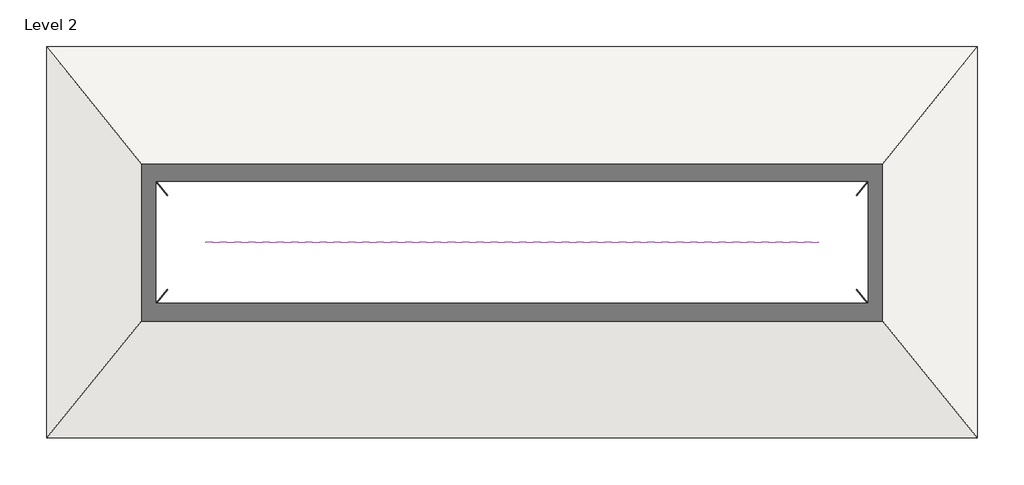
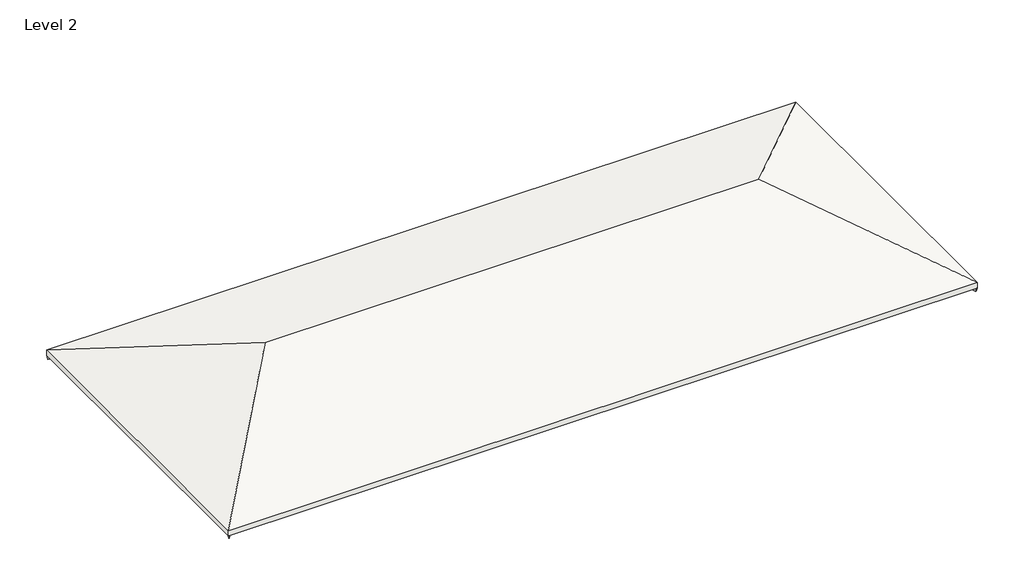
# One storey: 5 beams, 1 roof.
"""IFC4 building model written with IfcOpenShell, lengths in millimetres."""

import ifcopenshell
import ifcopenshell.guid

model = None  # the IFC model being written
_history = None  # IfcOwnerHistory: only IFC2X3 demands one
_inside = {}  # id of a spatial element -> (the spatial element, [elements in it])
_under = {}  # id of a project, library or spatial element -> (it, [spatial elements below it])
_declared = {}  # id of a project -> (the project, [libraries it declares])
_typed = {}  # id of a type object -> (the type object, [elements of that type])
_made_of = {}  # id of a material, layer set ... -> (it, [elements and type objects made of it])


def new_model(schema):
    """Start an empty IFC model of exactly this schema.

    Asked for "IFC4X3", IfcOpenShell would pick the latest addendum, in which some entities
    have other attributes; the version numbers below select the first issue.
    IFC2X3 requires an IfcOwnerHistory on every rooted entity: one is made here for all.
    """
    global model, _history
    if schema == "IFC4X3":
        model = ifcopenshell.file(schema_version=(4, 3, 0, 0))
    else:
        model = ifcopenshell.file(schema=schema)
    _inside.clear()
    _under.clear()
    _declared.clear()
    _typed.clear()
    _made_of.clear()
    _history = None
    if model.schema == "IFC2X3":
        org = make("IfcOrganization", Name="unknown")
        user = make(
            "IfcPersonAndOrganization",
            ThePerson=make("IfcPerson", FamilyName="unknown"),
            TheOrganization=org,
        )
        app = make(
            "IfcApplication",
            ApplicationDeveloper=org,
            Version="unknown",
            ApplicationFullName="unknown",
            ApplicationIdentifier="unknown",
        )
        _history = make(
            "IfcOwnerHistory",
            OwningUser=user,
            OwningApplication=app,
            ChangeAction="ADDED",
            CreationDate=0,
        )
    return model


def make(cls, **values):
    """One entity of the class cls with the attributes given. An attribute that is None is left unset."""
    return model.create_entity(
        cls, **{name: value for name, value in values.items() if value is not None}
    )


def rooted(cls, **values):
    """An entity with a GlobalId (a new one), such as an element, a storey or a relation."""
    return make(cls, GlobalId=ifcopenshell.guid.new(), OwnerHistory=_history, **values)


def si_unit(unit_type, name, prefix=None):
    """IfcSIUnit, for example si_unit("LENGTHUNIT", "METRE", prefix="MILLI")."""
    return make("IfcSIUnit", UnitType=unit_type, Prefix=prefix, Name=name)


def assignment(units):
    """IfcUnitAssignment: the units of a project."""
    return None if units is None else make("IfcUnitAssignment", Units=units)


def point(xyz):
    """IfcCartesianPoint."""
    return None if xyz is None else make("IfcCartesianPoint", Coordinates=xyz)


def direction(xyz):
    """IfcDirection."""
    return None if xyz is None else make("IfcDirection", DirectionRatios=xyz)


def frame(location, z_axis=None, x_axis=None):
    """IfcAxis2Placement3D, a coordinate frame: its origin and axes. An axis left out is left unset."""
    return make(
        "IfcAxis2Placement3D",
        Location=point(location),
        Axis=direction(z_axis),
        RefDirection=direction(x_axis),
    )


def origin():
    """The frame at (0, 0, 0) with its axes left unset."""
    return frame((0.0, 0.0, 0.0))


def place(relative_to, where):
    """IfcLocalPlacement: puts the frame where relative to a parent placement (None: the world)."""
    return make(
        "IfcLocalPlacement", PlacementRelTo=relative_to, RelativePlacement=where
    )


def context(
    kind, dimensions, precision=None, world=None, true_north=None, identifier=None
):
    """IfcGeometricRepresentationContext, for example the 3D "Model" context."""
    return make(
        "IfcGeometricRepresentationContext",
        ContextIdentifier=identifier,
        ContextType=kind,
        CoordinateSpaceDimension=dimensions,
        Precision=precision,
        WorldCoordinateSystem=world,
        TrueNorth=true_north,
    )


def project(units=None, contexts=None):
    """IfcProject with its units and contexts."""
    return rooted(
        "IfcProject",
        Name="project",
        RepresentationContexts=contexts,
        UnitsInContext=assignment(units),
    )


def spatial(cls, under=None, at=None, **own):
    """A site, building, storey or space (cls), placed at a placement, below another one or the project."""
    s = rooted(cls, ObjectPlacement=at, **own)
    if under is not None:
        _under.setdefault(under.id(), (under, []))[1].append(s)
    return s


def polyline(points):
    """IfcPolyline through the points."""
    return make("IfcPolyline", Points=[point(p) for p in points])


def outline(outer, holes=None, kind="AREA"):
    """IfcArbitraryClosedProfileDef: a profile drawn as a closed curve; with holes, ...WithVoids."""
    if holes is None:
        return make("IfcArbitraryClosedProfileDef", ProfileType=kind, OuterCurve=outer)
    return make(
        "IfcArbitraryProfileDefWithVoids",
        ProfileType=kind,
        OuterCurve=outer,
        InnerCurves=holes,
    )


def extrude(swept, where, along, depth):
    """IfcExtrudedAreaSolid: the profile swept, set in the frame where, extruded along a direction by depth."""
    return make(
        "IfcExtrudedAreaSolid",
        SweptArea=swept,
        Position=where,
        ExtrudedDirection=direction(along),
        Depth=depth,
    )


def faces_of(points, faces, orient=None, outer=None):
    """IfcFace entities. A face is a list of loops; a loop is a list of indices into points, from 0.

    orient and outer hold one flag for each loop. By default every Orientation is true, the
    first loop of a face is its IfcFaceOuterBound and the others are IfcFaceBound.
    """
    made = []
    for i, loops in enumerate(faces):
        bounds = []
        for j, loop in enumerate(loops):
            is_outer = j == 0 if outer is None else outer[i][j]
            bounds.append(
                make(
                    "IfcFaceOuterBound" if is_outer else "IfcFaceBound",
                    Bound=make("IfcPolyLoop", Polygon=[points[k] for k in loop]),
                    Orientation=True if orient is None else orient[i][j],
                )
            )
        made.append(make("IfcFace", Bounds=bounds))
    return made


def faceted_brep(points, faces, orient=None, outer=None, voids=None):
    """IfcFacetedBrep: a solid bounded by flat faces; with voids (closed shells), ...WithVoids."""
    shared = [point(p) for p in points]
    hull = make("IfcClosedShell", CfsFaces=faces_of(shared, faces, orient, outer))
    if voids is None:
        return make("IfcFacetedBrep", Outer=hull)
    return make(
        "IfcFacetedBrepWithVoids",
        Outer=hull,
        Voids=[
            make(cls, CfsFaces=faces_of(shared, fs, o, b)) for cls, fs, o, b in voids
        ],
    )


def shape(context_of_items, identifier, shape_type, items):
    """IfcShapeRepresentation: the items that make up one representation, for example the "Body"."""
    return make(
        "IfcShapeRepresentation",
        ContextOfItems=context_of_items,
        RepresentationIdentifier=identifier,
        RepresentationType=shape_type,
        Items=items,
    )


def source(mapping_origin, context_of_items, identifier, shape_type, items):
    """IfcRepresentationMap: a shape defined once, which mapped items show again and again."""
    return make(
        "IfcRepresentationMap",
        MappingOrigin=mapping_origin,
        MappedRepresentation=shape(context_of_items, identifier, shape_type, items),
    )


def transform(
    local_origin,
    x_axis=None,
    y_axis=None,
    z_axis=None,
    scale=None,
    scale2=None,
    scale3=None,
    uniform=True,
):
    """IfcCartesianTransformationOperator3D, or its non-uniform kind. x_axis, y_axis, z_axis: its Axis1, 2, 3."""
    if uniform:
        return make(
            "IfcCartesianTransformationOperator3D",
            Axis1=direction(x_axis),
            Axis2=direction(y_axis),
            LocalOrigin=point(local_origin),
            Scale=scale,
            Axis3=direction(z_axis),
        )
    return make(
        "IfcCartesianTransformationOperator3DnonUniform",
        Axis1=direction(x_axis),
        Axis2=direction(y_axis),
        LocalOrigin=point(local_origin),
        Scale=scale,
        Axis3=direction(z_axis),
        Scale2=scale2,
        Scale3=scale3,
    )


def mapped(mapping_source, mapping_target):
    """IfcMappedItem: shows the shape of a source again, moved by a transform."""
    return make(
        "IfcMappedItem", MappingSource=mapping_source, MappingTarget=mapping_target
    )


def made_of(thing, what):
    """Note that an element or type object is made of a material, layer set ...; save() writes the relation."""
    if what is not None:
        _made_of.setdefault(what.id(), (what, []))[1].append(thing)
    return thing


def element(
    cls,
    number,
    at=None,
    inside=None,
    cuts=None,
    type_object=None,
    material=None,
    context=None,
    identifier="Body",
    shape_type=None,
    held_by="IfcProductDefinitionShape",
    body=None,
    shapes=None,
    **own,
):
    """One element of the class cls, such as IfcWall. Its Tag is "e" and its number.

    at: its placement. inside: the storey or other place that contains it. cuts: it is an
    opening in that element (IfcRelVoidsElement). A single representation is given by context,
    identifier, shape_type and body (its items); several are given by shapes. held_by: the class
    of the entity that holds the representations. save() writes the other relations.
    """
    e = rooted(cls, Tag="e%d" % number, ObjectPlacement=at, **own)
    if body is not None:
        shapes = [shape(context, identifier, shape_type, body)]
    if shapes is not None:
        e.Representation = make(held_by, Representations=shapes)
    if inside is not None:
        _inside.setdefault(inside.id(), (inside, []))[1].append(e)
    if cuts is not None:
        rooted(
            "IfcRelVoidsElement", RelatingBuildingElement=cuts, RelatedOpeningElement=e
        )
    if type_object is not None:
        _typed.setdefault(type_object.id(), (type_object, []))[1].append(e)
    return made_of(e, material)


def aggregate(whole, parts):
    """IfcRelAggregates: a whole, such as a stair, and the parts it consists of."""
    return rooted("IfcRelAggregates", RelatingObject=whole, RelatedObjects=parts)


def save(model, path):
    """Write the relations noted so far, then the file.

    IfcRelAggregates (storeys below a building ...), IfcRelContainedInSpatialStructure (elements
    in a storey), IfcRelDefinesByType, IfcRelAssociatesMaterial and IfcRelDeclares: one each for
    every whole, place, type object, material and project.
    """
    for whole, parts in _under.values():
        aggregate(whole, parts)
    for where, things in _inside.values():
        rooted(
            "IfcRelContainedInSpatialStructure",
            RelatedElements=things,
            RelatingStructure=where,
        )
    for kind, things in _typed.values():
        rooted("IfcRelDefinesByType", RelatedObjects=things, RelatingType=kind)
    for what, things in _made_of.values():
        rooted("IfcRelAssociatesMaterial", RelatedObjects=things, RelatingMaterial=what)
    for by, libraries in _declared.values():
        rooted("IfcRelDeclares", RelatingContext=by, RelatedDefinitions=libraries)
    model.write(path)


def dimension_lumber_2x10_86c87d53(model_context):
    return source(origin(), model_context, "Body", "SweptSolid", [
        extrude(outline(polyline([(6266.8761793, 19.05), (6266.8761793, -19.05), (-6266.8761793, -19.05), (-6266.8761793, 19.05), (6266.8761793, 19.05)])), frame((0.0, 0.0, -117.475), z_axis=(0.0, 0.0, 1.0), x_axis=(1.0, 0.0, 0.0)), (0.0, 0.0, 1.0), 234.95),
    ])


def dimension_lumber_2x10_b890ed37(model_context):
    return source(origin(), model_context, "Body", "SweptSolid", [
        extrude(outline(polyline([(6266.5536957, 19.05), (6266.5536957, -19.05), (-6266.5536957, -19.05), (-6266.5536957, 19.05), (6266.5536957, 19.05)])), frame((0.0, 0.0, -117.475), z_axis=(0.0, 0.0, 1.0), x_axis=(1.0, 0.0, 0.0)), (0.0, 0.0, 1.0), 234.95),
    ])


def dimension_lumber_2x10_95e8aa53(model_context):
    return source(origin(), model_context, "Body", "SweptSolid", [
        extrude(outline(polyline([(14644.1799309, 19.05), (14644.1799309, -19.05), (-14644.1799309, -19.05), (-14644.1799309, 19.05), (14644.1799309, 19.05)])), frame((0.0, 0.0, -117.475), z_axis=(0.0, 0.0, 1.0), x_axis=(1.0, 0.0, 0.0)), (0.0, 0.0, 1.0), 234.95),
    ])


model = new_model("IFC4")

# Units and contexts
model_context = context("Model", 3, world=origin())
ifc_project = project(units=[si_unit("LENGTHUNIT", "METRE", prefix="MILLI")], contexts=[model_context])

# Site, building, storey
site = spatial("IfcSite", under=ifc_project)
building = spatial("IfcBuilding", under=site)
storey = spatial("IfcBuildingStorey", under=building, Name="Level 2", Elevation=3048.0)

# Beams
placement = place(None, origin())
dimension_lumber_2x10_shape = dimension_lumber_2x10_86c87d53(model_context)
element("IfcBeam", 1, ObjectType="Dimension Lumber : 2x10", at=placement, inside=storey, context=model_context, shape_type="MappedRepresentation", body=[
    mapped(dimension_lumber_2x10_shape, transform((-14955.1648783, -3191.4550556, 3468.6123876), x_axis=(0.6046721360045311, 0.7457623010722476, 0.27966086290209435), y_axis=(-0.7767557487195006, 0.6298019584212229, 0.0), z_axis=(-0.1761309591495082, -0.21722818295105795, 0.9600988499945492))),
])
element("IfcBeam", 2, ObjectType="Dimension Lumber : 2x10", at=placement, inside=storey, context=model_context, shape_type="MappedRepresentation", body=[
    mapped(dimension_lumber_2x10_shape, transform((-14955.1648783, 6104.7071828, 3468.6123876), x_axis=(0.6046721360045275, -0.7457623010722506, 0.27966086290209397), y_axis=(0.7767557487195036, 0.6298019584212191, 0.0), z_axis=(-0.17613095914950688, 0.2172281829510585, 0.9600988499945493))),
])
dimension_lumber_2x10_2_shape = dimension_lumber_2x10_b890ed37(model_context)
element("IfcBeam", 3, ObjectType="Dimension Lumber : 2x10", at=placement, inside=storey, context=model_context, shape_type="MappedRepresentation", body=[
    mapped(dimension_lumber_2x10_2_shape, transform((21870.0911744, 6104.7044448, 3468.6128801), x_axis=(-0.604618143542065, -0.745800678796237, 0.27967525454859027), y_axis=(0.7767991132062988, -0.6297484717900533, 0.0), z_axis=(0.17612506414946896, 0.21725148971909083, 0.9600946578297274))),
])
element("IfcBeam", 4, ObjectType="Dimension Lumber : 2x10", at=placement, inside=storey, context=model_context, shape_type="MappedRepresentation", body=[
    mapped(dimension_lumber_2x10_2_shape, transform((21870.0911744, -3191.4523177, 3468.6128801), x_axis=(-0.6046181435420613, 0.7458006787962401, 0.27967525454859005), y_axis=(-0.7767991132063019, -0.6297484717900494, 0.0), z_axis=(0.1761250641494677, -0.21725148971909156, 0.9600946578297274))),
])
dimension_lumber_2x10_3_shape = dimension_lumber_2x10_95e8aa53(model_context)
element("IfcBeam", 5, ObjectType="Dimension Lumber : 2x10", at=placement, inside=storey, context=model_context, shape_type="MappedRepresentation", body=[
    mapped(dimension_lumber_2x10_3_shape, transform((3457.7294736, 1456.6260636, 5216.525), x_axis=(-1.0, 0.0, 0.0), y_axis=(0.0, -1.0, 0.0), z_axis=(0.0, 0.0, 1.0))),
])

# Roof
element("IfcRoof", 6, ObjectType="Generic - 12\"", at=placement, inside=storey, context=model_context, shape_type="Brep", body=[
    faceted_brep([(18101.9094044, 1456.6260636, 5334.0), (25679.6535283, 10803.8260636, 1828.8), (25679.6535283, -7890.5739364, 1828.8), (-18765.2612681, 10803.8260636, 1828.8), (-11186.4504573, 1456.6260636, 5334.0), (-18765.2612681, -7890.5739364, 1828.8), (25701.9261657, 10803.8260636, 2154.3265427), (18124.1820418, 1456.6260636, 5659.5265427), (25701.9261657, -7890.5739364, 2154.3265427), (-18787.519029, 10803.8260636, 2154.3265427), (-18787.519029, -7890.5739364, 2154.3265427), (-11208.7082182, 1456.6260636, 5659.5265427), (-18787.519029, 10803.8260636, 1828.8), (25701.9261657, 10803.8260636, 1828.8), (-18787.519029, -7890.5739364, 1828.8), (25701.9261657, -7890.5739364, 1828.8)], [[[0, 1, 2]], [[3, 4, 5]], [[1, 0, 4, 3]], [[5, 4, 0, 2]], [[6, 7, 8]], [[9, 10, 11]], [[6, 9, 11, 7]], [[10, 8, 7, 11]], [[12, 9, 6, 13, 1, 3]], [[14, 10, 9, 12]], [[15, 8, 10, 14, 5, 2]], [[13, 6, 8, 15]], [[13, 15, 2, 1]], [[5, 14, 12, 3]]]),
])

save(model, "model.ifc")
